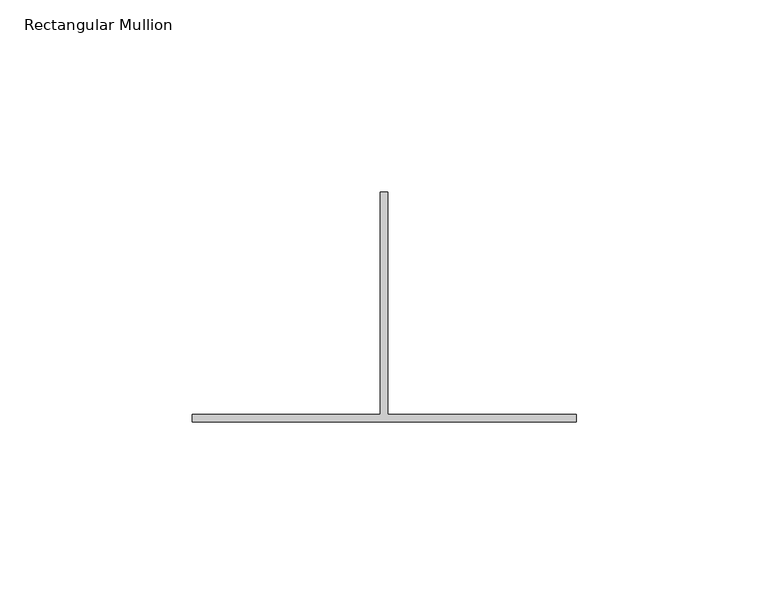
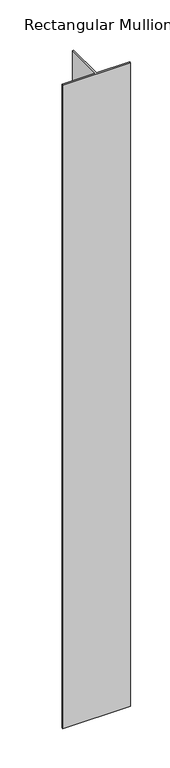
"""IFC4 building model written with IfcOpenShell, lengths in millimetres: member geometry, Rectangular Mullion."""

from ifc_helpers import new_model, si_unit, frame, origin, place, context, project, spatial, polyline, outline, extrude, source, transform, mapped, element, save


def rectangular_mullion_188cab97(model_context):
    return source(origin(), model_context, "Body", "SweptSolid", [
        extrude(outline(polyline([(49.0, -192.0), (-51.0, -192.0), (-51.0, -190.0), (-2.0, -190.0), (-2.0, -132.0), (0.0, -132.0), (0.0, -190.0), (49.0, -190.0), (49.0, -192.0)])), frame((0.0, 0.0, -1000.0), z_axis=(0.0, 0.0, 1.0), x_axis=(1.0, 0.0, 0.0)), (0.0, 0.0, 1.0), 1000.0),
    ])


if __name__ == "__main__":
    model = new_model("IFC4")
    model_context = context("Model", 3, world=origin())
    ifc_project = project(units=[si_unit("LENGTHUNIT", "METRE", prefix="MILLI")], contexts=[model_context])
    site = spatial("IfcSite", under=ifc_project)
    building = spatial("IfcBuilding", under=site)
    placement = place(None, origin())
    rectangular_mullion_shape = rectangular_mullion_188cab97(model_context)
    element("IfcMember", 1, ObjectType="Rectangular Mullion", at=placement, inside=building, context=model_context, shape_type="MappedRepresentation", body=[
        mapped(rectangular_mullion_shape, transform((0.0, 0.0, 0.0), x_axis=(1.0, 0.0, 0.0), y_axis=(0.0, 1.0, 0.0), z_axis=(0.0, 0.0, 1.0))),
    ])
    save(model, "model.ifc")
